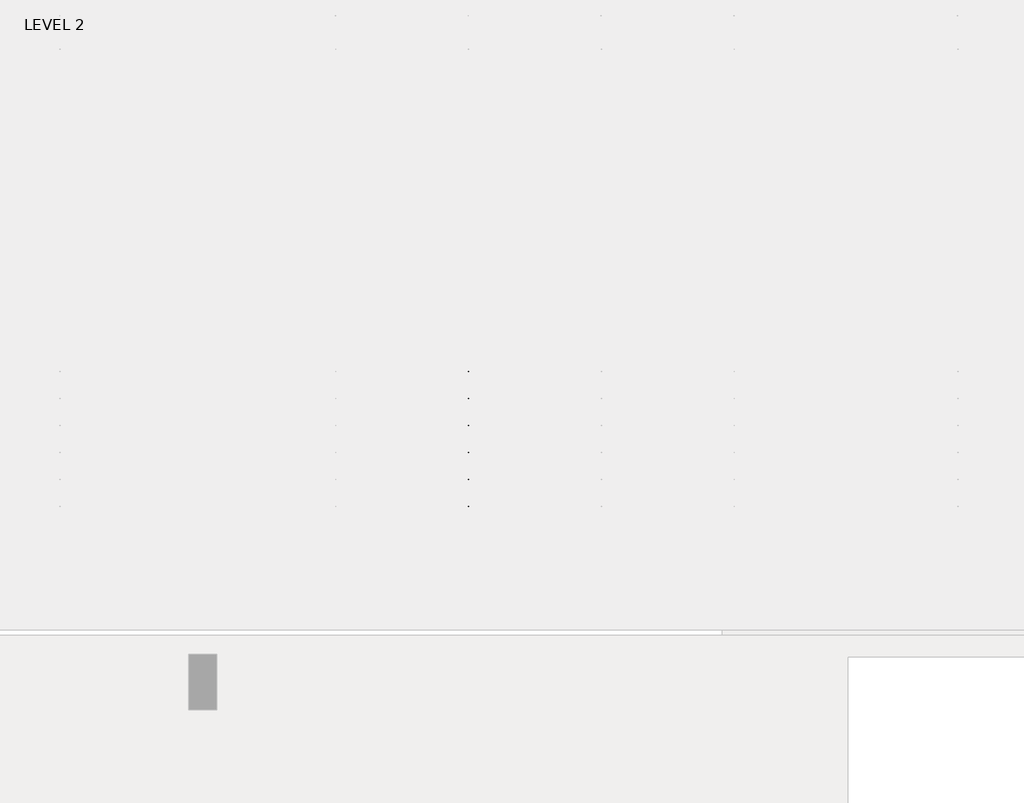
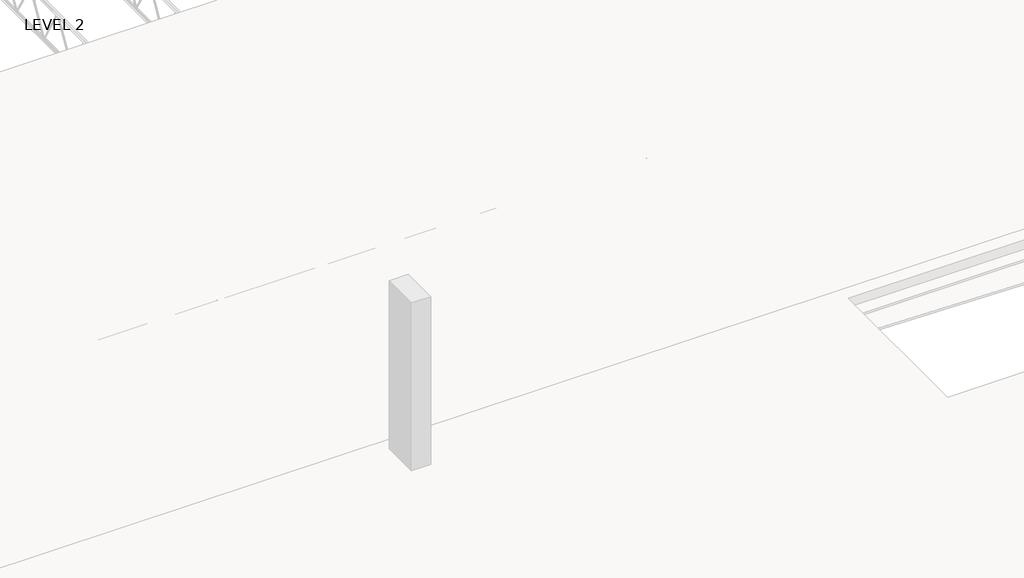
# One storey, part 41 of 67: 2 beams.
"""IFC4 building model written with IfcOpenShell, lengths in millimetres."""

import ifcopenshell
import ifcopenshell.guid

model = None  # the IFC model being written
_history = None  # IfcOwnerHistory: only IFC2X3 demands one
_inside = {}  # id of a spatial element -> (the spatial element, [elements in it])
_under = {}  # id of a project, library or spatial element -> (it, [spatial elements below it])
_declared = {}  # id of a project -> (the project, [libraries it declares])
_typed = {}  # id of a type object -> (the type object, [elements of that type])
_made_of = {}  # id of a material, layer set ... -> (it, [elements and type objects made of it])


def new_model(schema):
    """Start an empty IFC model of exactly this schema.

    Asked for "IFC4X3", IfcOpenShell would pick the latest addendum, in which some entities
    have other attributes; the version numbers below select the first issue.
    IFC2X3 requires an IfcOwnerHistory on every rooted entity: one is made here for all.
    """
    global model, _history
    if schema == "IFC4X3":
        model = ifcopenshell.file(schema_version=(4, 3, 0, 0))
    else:
        model = ifcopenshell.file(schema=schema)
    _inside.clear()
    _under.clear()
    _declared.clear()
    _typed.clear()
    _made_of.clear()
    _history = None
    if model.schema == "IFC2X3":
        org = make("IfcOrganization", Name="unknown")
        user = make(
            "IfcPersonAndOrganization",
            ThePerson=make("IfcPerson", FamilyName="unknown"),
            TheOrganization=org,
        )
        app = make(
            "IfcApplication",
            ApplicationDeveloper=org,
            Version="unknown",
            ApplicationFullName="unknown",
            ApplicationIdentifier="unknown",
        )
        _history = make(
            "IfcOwnerHistory",
            OwningUser=user,
            OwningApplication=app,
            ChangeAction="ADDED",
            CreationDate=0,
        )
    return model


def make(cls, **values):
    """One entity of the class cls with the attributes given. An attribute that is None is left unset."""
    return model.create_entity(
        cls, **{name: value for name, value in values.items() if value is not None}
    )


def rooted(cls, **values):
    """An entity with a GlobalId (a new one), such as an element, a storey or a relation."""
    return make(cls, GlobalId=ifcopenshell.guid.new(), OwnerHistory=_history, **values)


def si_unit(unit_type, name, prefix=None):
    """IfcSIUnit, for example si_unit("LENGTHUNIT", "METRE", prefix="MILLI")."""
    return make("IfcSIUnit", UnitType=unit_type, Prefix=prefix, Name=name)


def assignment(units):
    """IfcUnitAssignment: the units of a project."""
    return None if units is None else make("IfcUnitAssignment", Units=units)


def point(xyz):
    """IfcCartesianPoint."""
    return None if xyz is None else make("IfcCartesianPoint", Coordinates=xyz)


def direction(xyz):
    """IfcDirection."""
    return None if xyz is None else make("IfcDirection", DirectionRatios=xyz)


def frame(location, z_axis=None, x_axis=None):
    """IfcAxis2Placement3D, a coordinate frame: its origin and axes. An axis left out is left unset."""
    return make(
        "IfcAxis2Placement3D",
        Location=point(location),
        Axis=direction(z_axis),
        RefDirection=direction(x_axis),
    )


def frame_2d(location, x_axis=None):
    """IfcAxis2Placement2D, a coordinate frame in the plane: its origin and x axis."""
    return make(
        "IfcAxis2Placement2D", Location=point(location), RefDirection=direction(x_axis)
    )


def origin():
    """The frame at (0, 0, 0) with its axes left unset."""
    return frame((0.0, 0.0, 0.0))


def place(relative_to, where):
    """IfcLocalPlacement: puts the frame where relative to a parent placement (None: the world)."""
    return make(
        "IfcLocalPlacement", PlacementRelTo=relative_to, RelativePlacement=where
    )


def context(
    kind, dimensions, precision=None, world=None, true_north=None, identifier=None
):
    """IfcGeometricRepresentationContext, for example the 3D "Model" context."""
    return make(
        "IfcGeometricRepresentationContext",
        ContextIdentifier=identifier,
        ContextType=kind,
        CoordinateSpaceDimension=dimensions,
        Precision=precision,
        WorldCoordinateSystem=world,
        TrueNorth=true_north,
    )


def project(units=None, contexts=None):
    """IfcProject with its units and contexts."""
    return rooted(
        "IfcProject",
        Name="project",
        RepresentationContexts=contexts,
        UnitsInContext=assignment(units),
    )


def spatial(cls, under=None, at=None, **own):
    """A site, building, storey or space (cls), placed at a placement, below another one or the project."""
    s = rooted(cls, ObjectPlacement=at, **own)
    if under is not None:
        _under.setdefault(under.id(), (under, []))[1].append(s)
    return s


def polyline(points):
    """IfcPolyline through the points."""
    return make("IfcPolyline", Points=[point(p) for p in points])


def circle_curve(where, radius):
    """IfcCircle in the frame where."""
    return make("IfcCircle", Position=where, Radius=radius)


def trimmed(basis, trim1, trim2, sense, master):
    """IfcTrimmedCurve: the piece of a basis curve between two trims."""
    return make(
        "IfcTrimmedCurve",
        BasisCurve=basis,
        Trim1=trim1,
        Trim2=trim2,
        SenseAgreement=sense,
        MasterRepresentation=master,
    )


def segment(curve, same_sense, transition):
    """IfcCompositeCurveSegment."""
    return make(
        "IfcCompositeCurveSegment",
        Transition=transition,
        SameSense=same_sense,
        ParentCurve=curve,
    )


def composite_curve(segments, self_intersect=None):
    """IfcCompositeCurve: segments joined end to end."""
    return make("IfcCompositeCurve", Segments=segments, SelfIntersect=self_intersect)


def outline(outer, holes=None, kind="AREA"):
    """IfcArbitraryClosedProfileDef: a profile drawn as a closed curve; with holes, ...WithVoids."""
    if holes is None:
        return make("IfcArbitraryClosedProfileDef", ProfileType=kind, OuterCurve=outer)
    return make(
        "IfcArbitraryProfileDefWithVoids",
        ProfileType=kind,
        OuterCurve=outer,
        InnerCurves=holes,
    )


def extrude(swept, where, along, depth):
    """IfcExtrudedAreaSolid: the profile swept, set in the frame where, extruded along a direction by depth."""
    return make(
        "IfcExtrudedAreaSolid",
        SweptArea=swept,
        Position=where,
        ExtrudedDirection=direction(along),
        Depth=depth,
    )


def faces_of(points, faces, orient=None, outer=None):
    """IfcFace entities. A face is a list of loops; a loop is a list of indices into points, from 0.

    orient and outer hold one flag for each loop. By default every Orientation is true, the
    first loop of a face is its IfcFaceOuterBound and the others are IfcFaceBound.
    """
    made = []
    for i, loops in enumerate(faces):
        bounds = []
        for j, loop in enumerate(loops):
            is_outer = j == 0 if outer is None else outer[i][j]
            bounds.append(
                make(
                    "IfcFaceOuterBound" if is_outer else "IfcFaceBound",
                    Bound=make("IfcPolyLoop", Polygon=[points[k] for k in loop]),
                    Orientation=True if orient is None else orient[i][j],
                )
            )
        made.append(make("IfcFace", Bounds=bounds))
    return made


def faceted_brep(points, faces, orient=None, outer=None, voids=None):
    """IfcFacetedBrep: a solid bounded by flat faces; with voids (closed shells), ...WithVoids."""
    shared = [point(p) for p in points]
    hull = make("IfcClosedShell", CfsFaces=faces_of(shared, faces, orient, outer))
    if voids is None:
        return make("IfcFacetedBrep", Outer=hull)
    return make(
        "IfcFacetedBrepWithVoids",
        Outer=hull,
        Voids=[
            make(cls, CfsFaces=faces_of(shared, fs, o, b)) for cls, fs, o, b in voids
        ],
    )


def shape(context_of_items, identifier, shape_type, items):
    """IfcShapeRepresentation: the items that make up one representation, for example the "Body"."""
    return make(
        "IfcShapeRepresentation",
        ContextOfItems=context_of_items,
        RepresentationIdentifier=identifier,
        RepresentationType=shape_type,
        Items=items,
    )


def source(mapping_origin, context_of_items, identifier, shape_type, items):
    """IfcRepresentationMap: a shape defined once, which mapped items show again and again."""
    return make(
        "IfcRepresentationMap",
        MappingOrigin=mapping_origin,
        MappedRepresentation=shape(context_of_items, identifier, shape_type, items),
    )


def transform(
    local_origin,
    x_axis=None,
    y_axis=None,
    z_axis=None,
    scale=None,
    scale2=None,
    scale3=None,
    uniform=True,
):
    """IfcCartesianTransformationOperator3D, or its non-uniform kind. x_axis, y_axis, z_axis: its Axis1, 2, 3."""
    if uniform:
        return make(
            "IfcCartesianTransformationOperator3D",
            Axis1=direction(x_axis),
            Axis2=direction(y_axis),
            LocalOrigin=point(local_origin),
            Scale=scale,
            Axis3=direction(z_axis),
        )
    return make(
        "IfcCartesianTransformationOperator3DnonUniform",
        Axis1=direction(x_axis),
        Axis2=direction(y_axis),
        LocalOrigin=point(local_origin),
        Scale=scale,
        Axis3=direction(z_axis),
        Scale2=scale2,
        Scale3=scale3,
    )


def mapped(mapping_source, mapping_target):
    """IfcMappedItem: shows the shape of a source again, moved by a transform."""
    return make(
        "IfcMappedItem", MappingSource=mapping_source, MappingTarget=mapping_target
    )


def made_of(thing, what):
    """Note that an element or type object is made of a material, layer set ...; save() writes the relation."""
    if what is not None:
        _made_of.setdefault(what.id(), (what, []))[1].append(thing)
    return thing


def element(
    cls,
    number,
    at=None,
    inside=None,
    cuts=None,
    type_object=None,
    material=None,
    context=None,
    identifier="Body",
    shape_type=None,
    held_by="IfcProductDefinitionShape",
    body=None,
    shapes=None,
    **own,
):
    """One element of the class cls, such as IfcWall. Its Tag is "e" and its number.

    at: its placement. inside: the storey or other place that contains it. cuts: it is an
    opening in that element (IfcRelVoidsElement). A single representation is given by context,
    identifier, shape_type and body (its items); several are given by shapes. held_by: the class
    of the entity that holds the representations. save() writes the other relations.
    """
    e = rooted(cls, Tag="e%d" % number, ObjectPlacement=at, **own)
    if body is not None:
        shapes = [shape(context, identifier, shape_type, body)]
    if shapes is not None:
        e.Representation = make(held_by, Representations=shapes)
    if inside is not None:
        _inside.setdefault(inside.id(), (inside, []))[1].append(e)
    if cuts is not None:
        rooted(
            "IfcRelVoidsElement", RelatingBuildingElement=cuts, RelatedOpeningElement=e
        )
    if type_object is not None:
        _typed.setdefault(type_object.id(), (type_object, []))[1].append(e)
    return made_of(e, material)


def aggregate(whole, parts):
    """IfcRelAggregates: a whole, such as a stair, and the parts it consists of."""
    return rooted("IfcRelAggregates", RelatingObject=whole, RelatedObjects=parts)


def save(model, path):
    """Write the relations noted so far, then the file.

    IfcRelAggregates (storeys below a building ...), IfcRelContainedInSpatialStructure (elements
    in a storey), IfcRelDefinesByType, IfcRelAssociatesMaterial and IfcRelDeclares: one each for
    every whole, place, type object, material and project.
    """
    for whole, parts in _under.values():
        aggregate(whole, parts)
    for where, things in _inside.values():
        rooted(
            "IfcRelContainedInSpatialStructure",
            RelatedElements=things,
            RelatingStructure=where,
        )
    for kind, things in _typed.values():
        rooted("IfcRelDefinesByType", RelatedObjects=things, RelatingType=kind)
    for what, things in _made_of.values():
        rooted("IfcRelAssociatesMaterial", RelatedObjects=things, RelatingMaterial=what)
    for by, libraries in _declared.values():
        rooted("IfcRelDeclares", RelatingContext=by, RelatedDefinitions=libraries)
    model.write(path)


def w16x26_ae8e5744(model_context):
    return source(origin(), model_context, "Body", "SweptSolid", [
        extrude(outline(composite_curve([segment(polyline([(69.85, -190.627), (69.85, -199.39), (-69.85, -199.39), (-69.85, -190.627), (-21.3995, -190.627)]), True, "CONTINUOUS"), segment(trimmed(circle_curve(frame_2d((-21.3995, -172.4025)), 18.2245), [point((-21.3995, -190.627))], [point((-3.175, -172.4025))], True, "CARTESIAN"), True, "CONTINUOUS"), segment(polyline([(-3.175, -172.4025), (-3.175, 172.4025)]), True, "CONTINUOUS"), segment(trimmed(circle_curve(frame_2d((-21.3995, 172.4025)), 18.2245), [point((-3.175, 172.4025))], [point((-21.3995, 190.627))], True, "CARTESIAN"), True, "CONTINUOUS"), segment(polyline([(-21.3995, 190.627), (-69.85, 190.627), (-69.85, 199.39), (69.85, 199.39), (69.85, 190.627), (21.3995, 190.627)]), True, "CONTINUOUS"), segment(trimmed(circle_curve(frame_2d((21.3995, 172.4025)), 18.2245), [point((21.3995, 190.627))], [point((3.175, 172.4025))], True, "CARTESIAN"), True, "CONTINUOUS"), segment(polyline([(3.175, 172.4025), (3.175, -172.4025)]), True, "CONTINUOUS"), segment(trimmed(circle_curve(frame_2d((21.3995, -172.4025)), 18.2245), [point((3.175, -172.4025))], [point((21.3995, -190.627))], True, "CARTESIAN"), True, "CONTINUOUS"), segment(polyline([(21.3995, -190.627), (69.85, -190.627)]), True, "CONTINUOUS")], self_intersect=False)), frame((-3962.4, 0.0, 0.0), z_axis=(1.0, 0.0, 0.0), x_axis=(0.0, 1.0, 0.0)), (0.0, 0.0, 1.0), 7924.8),
    ])


model = new_model("IFC4")

# Units and contexts
model_context = context("Model", 3, world=origin())
ifc_project = project(units=[si_unit("LENGTHUNIT", "METRE", prefix="MILLI")], contexts=[model_context])

# Site, building, storey
site = spatial("IfcSite", under=ifc_project)
building = spatial("IfcBuilding", under=site)
storey = spatial("IfcBuildingStorey", under=building, Name="LEVEL 2", Elevation=6908.8)

# Beams
placement = place(None, origin())
element("IfcBeam", 1, ObjectType="K-Series Bar Joist-Angle Web : 12K3", at=placement, inside=storey, context=model_context, shape_type="SolidModel", body=[
    extrude(outline(polyline([(0.0, -9.525), (0.0, 0.0), (573.7533355, 0.0), (573.7533355, -9.525), (0.0, -9.525)])), frame((43982.2218142, -9604.1227945, 6274.1671734), z_axis=(0.0, -0.48308851527800273, 0.8755715198694479), x_axis=(0.0, -0.8755715198694479, -0.48308851527800273)), (0.0, 0.0, 1.0), 9.525),
    extrude(outline(polyline([(0.0, -9.525), (0.0, 0.0), (573.7533355, 0.0), (573.7533355, -9.525), (0.0, -9.525)])), frame((43972.6968142, -14433.5123055, 6174.0312759), z_axis=(0.0, 0.44637950228858414, 0.894843751688861), x_axis=(0.0, 0.894843751688861, -0.44637950228858414)), (0.0, 0.0, 1.0), 9.525),
    extrude(outline(polyline([(4.7625, 4.7625), (4.7625, -4.7625), (-4.7625, -4.7625), (-4.7625, 4.7625), (4.7625, 4.7625)])), frame((43977.4593142, -10108.7855836, 6001.1634358), z_axis=(0.0, 0.5271021201119526, 0.8498019504410923), x_axis=(-1.0, 0.0, 0.0)), (0.0, 0.0, 1.0), 317.9950191),
    extrude(outline(polyline([(4.7625, 4.7625), (4.7625, -4.7625001), (-4.7625, -4.7625001), (-4.7625, 4.7625), (4.7625, 4.7625)])), frame((43977.4593142, -13917.9668359, 5922.1812409), z_axis=(0.0, -0.5618747002661082, 0.8272223529383567), x_axis=(-1.0, 0.0, 0.0)), (0.0, 0.0, 1.0), 317.9950191),
    extrude(outline(polyline([(0.0, 0.0), (31.75, 0.0), (31.75, -6.35), (6.35, -6.35), (6.35, -31.75), (0.0, -31.75), (0.0, 0.0)])), frame((43982.2218142, -14019.4133656, 5913.7264136), z_axis=(0.0, 0.9997851055909517, 0.02073023488747072), x_axis=(1.0, 0.0, 0.0)), (0.0, 0.0, 1.0), 4013.2),
    extrude(outline(polyline([(-9.525, 0.0), (-9.525, -31.75), (-15.875, -31.75), (-15.875, -6.35), (-41.275, -6.35), (-41.275, 0.0), (-9.525, 0.0)])), frame((43982.2218142, -14019.4133656, 5913.7264136), z_axis=(0.0, 0.9997851055909517, 0.02073023488747072), x_axis=(1.0, 0.0, 0.0)), (0.0, 0.0, 1.0), 4013.2),
    extrude(outline(polyline([(-31.75, 0.0), (0.0, 0.0), (0.0, -6.35), (-25.4, -6.35), (-25.4, -31.75), (-31.75, -31.75), (-31.75, 0.0)])), frame((44013.9718142, -14532.3064049, 6144.4436003), z_axis=(0.0, 0.9997851055909517, 0.02073023488747072), x_axis=(1.0, 0.0, 0.0)), (0.0, 0.0, 1.0), 101.6),
    extrude(outline(polyline([(-41.275, 0.0), (-41.275, -31.75), (-47.625, -31.75), (-47.625, -6.35), (-73.025, -6.35), (-73.025, 0.0), (-41.275, 0.0)])), frame((44013.9718142, -14532.3064049, 6144.4436003), z_axis=(0.0, 0.9997851055909517, 0.02073023488747072), x_axis=(1.0, 0.0, 0.0)), (0.0, 0.0, 1.0), 101.6),
    extrude(outline(polyline([(0.0, 0.0), (31.75, 0.0), (31.75, -6.35), (6.35, -6.35), (6.35, -31.75), (0.0, -31.75), (0.0, 0.0)])), frame((43972.6968142, -9605.7653186, 6246.5939057), z_axis=(0.0, 0.9997851055909517, 0.02073023488747072), x_axis=(0.0, -0.02073023488747072, 0.9997851055909517)), (0.0, 0.0, 1.0), 101.6),
    extrude(outline(polyline([(0.0, 41.275), (6.35, 41.275), (6.35, 15.875), (31.75, 15.875), (31.75, 9.525), (0.0, 9.525), (0.0, 41.275)])), frame((43972.6968142, -9605.7653186, 6246.5939057), z_axis=(0.0, 0.9997851055909517, 0.02073023488747072), x_axis=(0.0, -0.02073023488747072, 0.9997851055909517)), (0.0, 0.0, 1.0), 101.6),
    extrude(outline(polyline([(0.0, 0.0), (31.75, 0.0), (31.75, -6.35), (6.35, -6.35), (6.35, -31.75), (0.0, -31.75), (0.0, 0.0)])), frame((43982.2218142, -14533.6227748, 6207.9299545), z_axis=(0.0, 0.9997851055909517, 0.02073023488747072), x_axis=(0.0, 0.02073023488747072, -0.9997851055909517)), (0.0, 0.0, 1.0), 5029.2),
    extrude(outline(polyline([(0.0, 9.525), (0.0, 41.275), (6.35, 41.275), (6.35, 15.875), (31.75, 15.875), (31.75, 9.525), (0.0, 9.525)])), frame((43982.2218142, -14533.6227748, 6207.9299545), z_axis=(0.0, 0.9997851055909517, 0.02073023488747072), x_axis=(0.0, 0.02073023488747072, -0.9997851055909517)), (0.0, 0.0, 1.0), 5029.2),
    faceted_brep([(43977.4593142, -10109.114676, 6017.0350244), (43977.4593142, -10108.7197651, 5997.9891181), (43972.6968142, -10108.7197651, 5997.9891181), (43972.6968142, -10109.114676, 6017.0350244), (43977.4593142, -10109.9510625, 6017.0176822), (43977.4593142, -10276.1904217, 6293.0308149), (43977.4593142, -10294.3999415, 6292.6532461), (43977.4593142, -10294.0050305, 6273.6073399), (43977.4593142, -10286.8200086, 6273.7563191), (43977.4593142, -10120.5806494, 5997.7431863), (43972.6968142, -10120.5806494, 5997.7431863), (43972.6968142, -10141.3605693, 6032.2448279), (43972.6968142, -10137.2808829, 6034.7019736), (43972.6968142, -10273.294904, 6260.5309003), (43972.6968142, -10277.3745905, 6258.0737547), (43972.6968142, -10286.8200086, 6273.7563191), (43972.6968142, -10294.0050305, 6273.6073399), (43972.6968142, -10294.3999415, 6292.6532461), (43972.6968142, -10276.1904217, 6293.0308149), (43972.6968142, -10109.9510625, 6017.0176822), (43959.9968142, -10277.3745905, 6258.0737547), (43959.9968142, -10141.3605693, 6032.2448279), (43959.9968142, -10137.2808829, 6034.7019736), (43959.9968142, -10273.294904, 6260.5309003)], [[[0, 1, 2, 3]], [[1, 0, 4, 5, 6, 7, 8, 9]], [[2, 1, 9, 10]], [[3, 2, 10, 11, 12, 13, 14, 15, 16, 17, 18, 19]], [[0, 3, 19, 4]], [[9, 8, 15, 14, 20, 21, 11, 10]], [[5, 4, 19, 18]], [[7, 6, 17, 16]], [[8, 7, 16, 15]], [[6, 5, 18, 17]], [[21, 22, 12, 11]], [[20, 14, 13, 23]], [[22, 21, 20, 23]], [[12, 22, 23, 13]]]),
    extrude(outline(polyline([(-10455.0089698, 5990.8089186), (-10455.4038808, 6009.8548248), (-10454.5674943, 6009.872167), (-10299.9121904, 6292.5389513), (-10281.7026706, 6292.9165201), (-10281.3077596, 6273.8706138), (-10288.4927815, 6273.7216346), (-10443.1480854, 5991.0548503), (-10455.0089698, 5990.8089186)])), frame((43977.4593142, 0.0, 0.0), z_axis=(1.0, 0.0, 0.0), x_axis=(0.0, 1.0, 0.0)), (0.0, 0.0, 1.0), 4.7625),
    extrude(outline(polyline([(-4.7625, 4.7625), (-4.7625, 0.0), (-17.4625, 0.0), (-17.4625, 4.7625), (-4.7625, 4.7625)])), frame((43977.4593142, -10423.8161725, 6026.3881984), z_axis=(0.0, 0.4799841217599757, 0.8772771756168657), x_axis=(-1.0, 0.0, 0.0)), (0.0, 0.0, 1.0), 263.6257159),
    faceted_brep([(43977.4593142, -13572.0067236, 5945.233029), (43977.4593142, -13571.6118126, 5926.1871227), (43972.6968142, -13571.6118126, 5926.1871227), (43972.6968142, -13572.0067236, 5945.233029), (43977.4593142, -13572.8431101, 5945.2156868), (43977.4593142, -13739.0824692, 6221.2288195), (43977.4593142, -13757.291989, 6220.8512507), (43977.4593142, -13756.897078, 6201.8053445), (43977.4593142, -13749.7120561, 6201.9543237), (43977.4593142, -13583.472697, 5925.941191), (43972.6968142, -13583.472697, 5925.941191), (43972.6968142, -13604.2526169, 5960.4428325), (43972.6968142, -13600.1729304, 5962.8999782), (43972.6968142, -13736.1869515, 6188.7289049), (43972.6968142, -13740.266638, 6186.2717593), (43972.6968142, -13749.7120561, 6201.9543237), (43972.6968142, -13756.897078, 6201.8053445), (43972.6968142, -13757.291989, 6220.8512507), (43972.6968142, -13739.0824692, 6221.2288195), (43972.6968142, -13572.8431101, 5945.2156868), (43959.9968142, -13740.266638, 6186.2717593), (43959.9968142, -13604.2526169, 5960.4428325), (43959.9968142, -13600.1729304, 5962.8999782), (43959.9968142, -13736.1869515, 6188.7289049)], [[[0, 1, 2, 3]], [[1, 0, 4, 5, 6, 7, 8, 9]], [[2, 1, 9, 10]], [[3, 2, 10, 11, 12, 13, 14, 15, 16, 17, 18, 19]], [[0, 3, 19, 4]], [[9, 8, 15, 14, 20, 21, 11, 10]], [[5, 4, 19, 18]], [[7, 6, 17, 16]], [[8, 7, 16, 15]], [[6, 5, 18, 17]], [[21, 22, 12, 11]], [[20, 14, 13, 23]], [[22, 21, 20, 23]], [[12, 22, 23, 13]]]),
    extrude(outline(polyline([(-13917.9010174, 5919.0069232), (-13918.2959283, 5938.0528295), (-13917.4595419, 5938.0701717), (-13762.804238, 6220.736956), (-13744.5947182, 6221.1145247), (-13744.1998072, 6202.0686185), (-13751.3848291, 6201.9196392), (-13906.040133, 5919.252855), (-13917.9010174, 5919.0069232)])), frame((43977.4593142, 0.0, 0.0), z_axis=(1.0, 0.0, 0.0), x_axis=(0.0, 1.0, 0.0)), (0.0, 0.0, 1.0), 4.7625),
    extrude(outline(polyline([(-4.7625, 4.7625001), (-4.7625, 0.0), (-17.4625, 0.0), (-17.4625, 4.7625001), (-4.7625, 4.7625001)])), frame((43977.4593142, -13886.70822, 5954.586203), z_axis=(0.0, 0.4799841217599757, 0.8772771756168657), x_axis=(-1.0, 0.0, 0.0)), (0.0, 0.0, 1.0), 263.6257159),
    faceted_brep([(43977.4593142, -10455.4038808, 6009.8548248), (43977.4593142, -10455.0089698, 5990.8089186), (43972.6968142, -10455.0089698, 5990.8089186), (43972.6968142, -10455.4038808, 6009.8548248), (43977.4593142, -10456.2402673, 6009.8374826), (43977.4593142, -10622.4796264, 6285.8506153), (43977.4593142, -10640.6891462, 6285.4730466), (43977.4593142, -10640.2942352, 6266.4271403), (43977.4593142, -10633.1092134, 6266.5761195), (43977.4593142, -10466.8698542, 5990.5629868), (43972.6968142, -10466.8698542, 5990.5629868), (43972.6968142, -10487.6497741, 6025.0646284), (43972.6968142, -10483.5700876, 6027.521774), (43972.6968142, -10619.5841088, 6253.3507008), (43972.6968142, -10623.6637952, 6250.8935552), (43972.6968142, -10633.1092134, 6266.5761195), (43972.6968142, -10640.2942352, 6266.4271403), (43972.6968142, -10640.6891462, 6285.4730466), (43972.6968142, -10622.4796264, 6285.8506153), (43972.6968142, -10456.2402673, 6009.8374826), (43959.9968142, -10623.6637952, 6250.8935552), (43959.9968142, -10487.6497741, 6025.0646284), (43959.9968142, -10483.5700876, 6027.521774), (43959.9968142, -10619.5841088, 6253.3507008)], [[[0, 1, 2, 3]], [[1, 0, 4, 5, 6, 7, 8, 9]], [[2, 1, 9, 10]], [[3, 2, 10, 11, 12, 13, 14, 15, 16, 17, 18, 19]], [[0, 3, 19, 4]], [[9, 8, 15, 14, 20, 21, 11, 10]], [[5, 4, 19, 18]], [[7, 6, 17, 16]], [[8, 7, 16, 15]], [[6, 5, 18, 17]], [[21, 22, 12, 11]], [[20, 14, 13, 23]], [[22, 21, 20, 23]], [[12, 22, 23, 13]]]),
    extrude(outline(polyline([(-10801.2981746, 5983.628719), (-10801.6930855, 6002.6746253), (-10800.8566991, 6002.6919675), (-10646.2013952, 6285.3587518), (-10627.9918754, 6285.7363206), (-10627.5969644, 6266.6904143), (-10634.7819863, 6266.5414351), (-10789.4372902, 5983.8746508), (-10801.2981746, 5983.628719)])), frame((43977.4593142, 0.0, 0.0), z_axis=(1.0, 0.0, 0.0), x_axis=(0.0, 1.0, 0.0)), (0.0, 0.0, 1.0), 4.7625),
    extrude(outline(polyline([(-4.7625, 4.7625001), (-4.7625, 0.0), (-17.4625, 0.0), (-17.4625, 4.7625001), (-4.7625, 4.7625001)])), frame((43977.4593142, -10770.1053772, 6019.2079988), z_axis=(0.0, 0.4799841217599757, 0.8772771756168657), x_axis=(-1.0, 0.0, 0.0)), (0.0, 0.0, 1.0), 263.6257159),
    faceted_brep([(43977.4593142, -10801.6930855, 6002.6746253), (43977.4593142, -10801.2981746, 5983.628719), (43972.6968142, -10801.2981746, 5983.628719), (43972.6968142, -10801.6930855, 6002.6746253), (43977.4593142, -10802.529472, 6002.6572831), (43977.4593142, -10968.7688312, 6278.6704158), (43977.4593142, -10986.978351, 6278.292847), (43977.4593142, -10986.58344, 6259.2469408), (43977.4593142, -10979.3984181, 6259.39592), (43977.4593142, -10813.1590589, 5983.3827873), (43972.6968142, -10813.1590589, 5983.3827873), (43972.6968142, -10833.9389788, 6017.8844289), (43972.6968142, -10829.8592924, 6020.3415745), (43972.6968142, -10965.8733135, 6246.1705013), (43972.6968142, -10969.953, 6243.7133556), (43972.6968142, -10979.3984181, 6259.39592), (43972.6968142, -10986.58344, 6259.2469408), (43972.6968142, -10986.978351, 6278.292847), (43972.6968142, -10968.7688312, 6278.6704158), (43972.6968142, -10802.529472, 6002.6572831), (43959.9968142, -10969.953, 6243.7133556), (43959.9968142, -10833.9389788, 6017.8844289), (43959.9968142, -10829.8592924, 6020.3415745), (43959.9968142, -10965.8733135, 6246.1705013)], [[[0, 1, 2, 3]], [[1, 0, 4, 5, 6, 7, 8, 9]], [[2, 1, 9, 10]], [[3, 2, 10, 11, 12, 13, 14, 15, 16, 17, 18, 19]], [[0, 3, 19, 4]], [[9, 8, 15, 14, 20, 21, 11, 10]], [[5, 4, 19, 18]], [[7, 6, 17, 16]], [[8, 7, 16, 15]], [[6, 5, 18, 17]], [[21, 22, 12, 11]], [[20, 14, 13, 23]], [[22, 21, 20, 23]], [[12, 22, 23, 13]]]),
    extrude(outline(polyline([(-11147.5873793, 5976.4485195), (-11147.9822903, 5995.4944258), (-11147.1459038, 5995.511768), (-10992.4905999, 6278.1785523), (-10974.2810801, 6278.556121), (-10973.8861692, 6259.5102148), (-10981.071191, 6259.3612356), (-11135.726495, 5976.6944513), (-11147.5873793, 5976.4485195)])), frame((43977.4593142, 0.0, 0.0), z_axis=(1.0, 0.0, 0.0), x_axis=(0.0, 1.0, 0.0)), (0.0, 0.0, 1.0), 4.7625),
    extrude(outline(polyline([(-4.7625, 4.7625), (-4.7625, 0.0), (-17.4625, 0.0), (-17.4625, 4.7625), (-4.7625, 4.7625)])), frame((43977.4593142, -11116.394582, 6012.0277993), z_axis=(0.0, 0.4799841217599757, 0.8772771756168657), x_axis=(-1.0, 0.0, 0.0)), (0.0, 0.0, 1.0), 263.6257159),
    faceted_brep([(43977.4593142, -11147.9822903, 5995.4944258), (43977.4593142, -11147.5873793, 5976.4485195), (43972.6968142, -11147.5873793, 5976.4485195), (43972.6968142, -11147.9822903, 5995.4944258), (43977.4593142, -11148.8186768, 5995.4770835), (43977.4593142, -11315.0580359, 6271.4902163), (43977.4593142, -11333.2675557, 6271.1126475), (43977.4593142, -11332.8726447, 6252.0667412), (43977.4593142, -11325.6876229, 6252.2157204), (43977.4593142, -11159.4482637, 5976.2025877), (43972.6968142, -11159.4482637, 5976.2025877), (43972.6968142, -11180.2281836, 6010.7042293), (43972.6968142, -11176.1484971, 6013.1613749), (43972.6968142, -11312.1625183, 6238.9903017), (43972.6968142, -11316.2422047, 6236.5331561), (43972.6968142, -11325.6876229, 6252.2157204), (43972.6968142, -11332.8726447, 6252.0667412), (43972.6968142, -11333.2675557, 6271.1126475), (43972.6968142, -11315.0580359, 6271.4902163), (43972.6968142, -11148.8186768, 5995.4770835), (43959.9968142, -11316.2422047, 6236.5331561), (43959.9968142, -11180.2281836, 6010.7042293), (43959.9968142, -11176.1484971, 6013.1613749), (43959.9968142, -11312.1625183, 6238.9903017)], [[[0, 1, 2, 3]], [[1, 0, 4, 5, 6, 7, 8, 9]], [[2, 1, 9, 10]], [[3, 2, 10, 11, 12, 13, 14, 15, 16, 17, 18, 19]], [[0, 3, 19, 4]], [[9, 8, 15, 14, 20, 21, 11, 10]], [[5, 4, 19, 18]], [[7, 6, 17, 16]], [[8, 7, 16, 15]], [[6, 5, 18, 17]], [[21, 22, 12, 11]], [[20, 14, 13, 23]], [[22, 21, 20, 23]], [[12, 22, 23, 13]]]),
    extrude(outline(polyline([(-11493.8765841, 5969.26832), (-11494.2714951, 5988.3142262), (-11493.4351086, 5988.3315684), (-11338.7798047, 6270.9983527), (-11320.5702849, 6271.3759215), (-11320.1753739, 6252.3300152), (-11327.3603958, 6252.181036), (-11482.0156997, 5969.5142517), (-11493.8765841, 5969.26832)])), frame((43977.4593142, 0.0, 0.0), z_axis=(1.0, 0.0, 0.0), x_axis=(0.0, 1.0, 0.0)), (0.0, 0.0, 1.0), 4.7625),
    extrude(outline(polyline([(-4.7625, 4.7625), (-4.7625, 0.0), (-17.4625, 0.0), (-17.4625, 4.7625), (-4.7625, 4.7625)])), frame((43977.4593142, -11462.6837867, 6004.8475998), z_axis=(0.0, 0.4799841217599757, 0.8772771756168657), x_axis=(-1.0, 0.0, 0.0)), (0.0, 0.0, 1.0), 263.6257159),
    faceted_brep([(43977.4593142, -11494.2714951, 5988.3142262), (43977.4593142, -11493.8765841, 5969.26832), (43972.6968142, -11493.8765841, 5969.26832), (43972.6968142, -11494.2714951, 5988.3142262), (43977.4593142, -11495.1078815, 5988.296884), (43977.4593142, -11661.3472407, 6264.3100167), (43977.4593142, -11679.5567605, 6263.932448), (43977.4593142, -11679.1618495, 6244.8865417), (43977.4593142, -11671.9768276, 6245.0355209), (43977.4593142, -11505.7374685, 5969.0223882), (43972.6968142, -11505.7374685, 5969.0223882), (43972.6968142, -11526.5173883, 6003.5240298), (43972.6968142, -11522.4377019, 6005.9811754), (43972.6968142, -11658.451723, 6231.8101022), (43972.6968142, -11662.5314095, 6229.3529565), (43972.6968142, -11671.9768276, 6245.0355209), (43972.6968142, -11679.1618495, 6244.8865417), (43972.6968142, -11679.5567605, 6263.932448), (43972.6968142, -11661.3472407, 6264.3100167), (43972.6968142, -11495.1078815, 5988.296884), (43959.9968142, -11662.5314095, 6229.3529565), (43959.9968142, -11526.5173883, 6003.5240298), (43959.9968142, -11522.4377019, 6005.9811754), (43959.9968142, -11658.451723, 6231.8101022)], [[[0, 1, 2, 3]], [[1, 0, 4, 5, 6, 7, 8, 9]], [[2, 1, 9, 10]], [[3, 2, 10, 11, 12, 13, 14, 15, 16, 17, 18, 19]], [[0, 3, 19, 4]], [[9, 8, 15, 14, 20, 21, 11, 10]], [[5, 4, 19, 18]], [[7, 6, 17, 16]], [[8, 7, 16, 15]], [[6, 5, 18, 17]], [[21, 22, 12, 11]], [[20, 14, 13, 23]], [[22, 21, 20, 23]], [[12, 22, 23, 13]]]),
    extrude(outline(polyline([(-11840.1657888, 5962.0881204), (-11840.5606998, 5981.1340267), (-11839.7243133, 5981.1513689), (-11685.0690094, 6263.8181532), (-11666.8594896, 6264.1957219), (-11666.4645787, 6245.1498157), (-11673.6496006, 6245.0008365), (-11828.3049045, 5962.3340522), (-11840.1657888, 5962.0881204)])), frame((43977.4593142, 0.0, 0.0), z_axis=(1.0, 0.0, 0.0), x_axis=(0.0, 1.0, 0.0)), (0.0, 0.0, 1.0), 4.7625),
    extrude(outline(polyline([(-4.7625, 4.7625), (-4.7625, 0.0), (-17.4625, 0.0), (-17.4625, 4.7625), (-4.7625, 4.7625)])), frame((43977.4593142, -11808.9729915, 5997.6674002), z_axis=(0.0, 0.4799841217599757, 0.8772771756168657), x_axis=(-1.0, 0.0, 0.0)), (0.0, 0.0, 1.0), 263.6257159),
    faceted_brep([(43977.4593142, -11840.5606998, 5981.1340267), (43977.4593142, -11840.1657888, 5962.0881204), (43972.6968142, -11840.1657888, 5962.0881204), (43972.6968142, -11840.5606998, 5981.1340267), (43977.4593142, -11841.3970863, 5981.1166845), (43977.4593142, -12007.6364454, 6257.1298172), (43977.4593142, -12025.8459652, 6256.7522484), (43977.4593142, -12025.4510543, 6237.7063422), (43977.4593142, -12018.2660324, 6237.8553214), (43977.4593142, -11852.0266732, 5961.8421887), (43972.6968142, -11852.0266732, 5961.8421887), (43972.6968142, -11872.8065931, 5996.3438302), (43972.6968142, -11868.7269066, 5998.8009759), (43972.6968142, -12004.7409278, 6224.6299026), (43972.6968142, -12008.8206142, 6222.172757), (43972.6968142, -12018.2660324, 6237.8553214), (43972.6968142, -12025.4510543, 6237.7063422), (43972.6968142, -12025.8459652, 6256.7522484), (43972.6968142, -12007.6364454, 6257.1298172), (43972.6968142, -11841.3970863, 5981.1166845), (43959.9968142, -12008.8206142, 6222.172757), (43959.9968142, -11872.8065931, 5996.3438302), (43959.9968142, -11868.7269066, 5998.8009759), (43959.9968142, -12004.7409278, 6224.6299026)], [[[0, 1, 2, 3]], [[1, 0, 4, 5, 6, 7, 8, 9]], [[2, 1, 9, 10]], [[3, 2, 10, 11, 12, 13, 14, 15, 16, 17, 18, 19]], [[0, 3, 19, 4]], [[9, 8, 15, 14, 20, 21, 11, 10]], [[5, 4, 19, 18]], [[7, 6, 17, 16]], [[8, 7, 16, 15]], [[6, 5, 18, 17]], [[21, 22, 12, 11]], [[20, 14, 13, 23]], [[22, 21, 20, 23]], [[12, 22, 23, 13]]]),
    extrude(outline(polyline([(-12186.4549936, 5954.9079209), (-12186.8499046, 5973.9538271), (-12186.0135181, 5973.9711694), (-12031.3582142, 6256.6379536), (-12013.1486944, 6257.0155224), (-12012.7537834, 6237.9696161), (-12019.9388053, 6237.8206369), (-12174.5941092, 5955.1538527), (-12186.4549936, 5954.9079209)])), frame((43977.4593142, 0.0, 0.0), z_axis=(1.0, 0.0, 0.0), x_axis=(0.0, 1.0, 0.0)), (0.0, 0.0, 1.0), 4.7625),
    extrude(outline(polyline([(-4.7625, 4.7625001), (-4.7625, 0.0), (-17.4625, 0.0), (-17.4625, 4.7625001), (-4.7625, 4.7625001)])), frame((43977.4593142, -12155.2621962, 5990.4872007), z_axis=(0.0, 0.4799841217599757, 0.8772771756168657), x_axis=(-1.0, 0.0, 0.0)), (0.0, 0.0, 1.0), 263.6257159),
    faceted_brep([(43977.4593142, -12186.8499046, 5973.9538271), (43977.4593142, -12186.4549936, 5954.9079209), (43972.6968142, -12186.4549936, 5954.9079209), (43972.6968142, -12186.8499046, 5973.9538271), (43977.4593142, -12187.686291, 5973.9364849), (43977.4593142, -12353.9256502, 6249.9496176), (43977.4593142, -12372.13517, 6249.5720489), (43977.4593142, -12371.740259, 6230.5261426), (43977.4593142, -12364.5552371, 6230.6751218), (43977.4593142, -12198.315878, 5954.6619891), (43972.6968142, -12198.315878, 5954.6619891), (43972.6968142, -12219.0957979, 5989.1636307), (43972.6968142, -12215.0161114, 5991.6207763), (43972.6968142, -12351.0301325, 6217.4497031), (43972.6968142, -12355.109819, 6214.9925575), (43972.6968142, -12364.5552371, 6230.6751218), (43972.6968142, -12371.740259, 6230.5261426), (43972.6968142, -12372.13517, 6249.5720489), (43972.6968142, -12353.9256502, 6249.9496176), (43972.6968142, -12187.686291, 5973.9364849), (43959.9968142, -12355.109819, 6214.9925575), (43959.9968142, -12219.0957979, 5989.1636307), (43959.9968142, -12215.0161114, 5991.6207763), (43959.9968142, -12351.0301325, 6217.4497031)], [[[0, 1, 2, 3]], [[1, 0, 4, 5, 6, 7, 8, 9]], [[2, 1, 9, 10]], [[3, 2, 10, 11, 12, 13, 14, 15, 16, 17, 18, 19]], [[0, 3, 19, 4]], [[9, 8, 15, 14, 20, 21, 11, 10]], [[5, 4, 19, 18]], [[7, 6, 17, 16]], [[8, 7, 16, 15]], [[6, 5, 18, 17]], [[21, 22, 12, 11]], [[20, 14, 13, 23]], [[22, 21, 20, 23]], [[12, 22, 23, 13]]]),
    extrude(outline(polyline([(-12532.7441983, 5947.7277213), (-12533.1391093, 5966.7736276), (-12532.3027228, 5966.7909698), (-12377.6474189, 6249.4577541), (-12359.4378991, 6249.8353229), (-12359.0429882, 6230.7894166), (-12366.2280101, 6230.6404374), (-12520.883314, 5947.9736531), (-12532.7441983, 5947.7277213)])), frame((43977.4593142, 0.0, 0.0), z_axis=(1.0, 0.0, 0.0), x_axis=(0.0, 1.0, 0.0)), (0.0, 0.0, 1.0), 4.7625),
    extrude(outline(polyline([(-4.7625, 4.7625), (-4.7625, 0.0), (-17.4625, 0.0), (-17.4625, 4.7625), (-4.7625, 4.7625)])), frame((43977.4593142, -12501.551401, 5983.3070011), z_axis=(0.0, 0.4799841217599757, 0.8772771756168657), x_axis=(-1.0, 0.0, 0.0)), (0.0, 0.0, 1.0), 263.6257159),
    faceted_brep([(43977.4593142, -12533.1391093, 5966.7736276), (43977.4593142, -12532.7441983, 5947.7277213), (43972.6968142, -12532.7441983, 5947.7277213), (43972.6968142, -12533.1391093, 5966.7736276), (43977.4593142, -12533.9754958, 5966.7562854), (43977.4593142, -12700.214855, 6242.7694181), (43977.4593142, -12718.4243747, 6242.3918493), (43977.4593142, -12718.0294638, 6223.3459431), (43977.4593142, -12710.8444419, 6223.4949223), (43977.4593142, -12544.6050827, 5947.4817896), (43972.6968142, -12544.6050827, 5947.4817896), (43972.6968142, -12565.3850026, 5981.9834312), (43972.6968142, -12561.3053162, 5984.4405768), (43972.6968142, -12697.3193373, 6210.2695036), (43972.6968142, -12701.3990237, 6207.8123579), (43972.6968142, -12710.8444419, 6223.4949223), (43972.6968142, -12718.0294638, 6223.3459431), (43972.6968142, -12718.4243747, 6242.3918493), (43972.6968142, -12700.214855, 6242.7694181), (43972.6968142, -12533.9754958, 5966.7562854), (43959.9968142, -12701.3990237, 6207.8123579), (43959.9968142, -12565.3850026, 5981.9834312), (43959.9968142, -12561.3053162, 5984.4405768), (43959.9968142, -12697.3193373, 6210.2695036)], [[[0, 1, 2, 3]], [[1, 0, 4, 5, 6, 7, 8, 9]], [[2, 1, 9, 10]], [[3, 2, 10, 11, 12, 13, 14, 15, 16, 17, 18, 19]], [[0, 3, 19, 4]], [[9, 8, 15, 14, 20, 21, 11, 10]], [[5, 4, 19, 18]], [[7, 6, 17, 16]], [[8, 7, 16, 15]], [[6, 5, 18, 17]], [[21, 22, 12, 11]], [[20, 14, 13, 23]], [[22, 21, 20, 23]], [[12, 22, 23, 13]]]),
    extrude(outline(polyline([(-12879.0334031, 5940.5475218), (-12879.4283141, 5959.5934281), (-12878.5919276, 5959.6107703), (-12723.9366237, 6242.2775546), (-12705.7271039, 6242.6551233), (-12705.3321929, 6223.6092171), (-12712.5172148, 6223.4602379), (-12867.1725187, 5940.7934536), (-12879.0334031, 5940.5475218)])), frame((43977.4593142, 0.0, 0.0), z_axis=(1.0, 0.0, 0.0), x_axis=(0.0, 1.0, 0.0)), (0.0, 0.0, 1.0), 4.7625),
    extrude(outline(polyline([(-4.7625, 4.7625001), (-4.7625, 0.0), (-17.4625, 0.0), (-17.4625, 4.7625001), (-4.7625, 4.7625001)])), frame((43977.4593142, -12847.8406057, 5976.1268016), z_axis=(0.0, 0.4799841217599757, 0.8772771756168657), x_axis=(-1.0, 0.0, 0.0)), (0.0, 0.0, 1.0), 263.6257159),
    faceted_brep([(43977.4593142, -12879.4283141, 5959.5934281), (43977.4593142, -12879.0334031, 5940.5475218), (43972.6968142, -12879.0334031, 5940.5475218), (43972.6968142, -12879.4283141, 5959.5934281), (43977.4593142, -12880.2647005, 5959.5760859), (43977.4593142, -13046.5040597, 6235.5892186), (43977.4593142, -13064.7135795, 6235.2116498), (43977.4593142, -13064.3186685, 6216.1657435), (43977.4593142, -13057.1336466, 6216.3147228), (43977.4593142, -12890.8942875, 5940.30159), (43972.6968142, -12890.8942875, 5940.30159), (43972.6968142, -12911.6742074, 5974.8032316), (43972.6968142, -12907.5945209, 5977.2603773), (43972.6968142, -13043.608542, 6203.089304), (43972.6968142, -13047.6882285, 6200.6321584), (43972.6968142, -13057.1336466, 6216.3147228), (43972.6968142, -13064.3186685, 6216.1657435), (43972.6968142, -13064.7135795, 6235.2116498), (43972.6968142, -13046.5040597, 6235.5892186), (43972.6968142, -12880.2647005, 5959.5760859), (43959.9968142, -13047.6882285, 6200.6321584), (43959.9968142, -12911.6742074, 5974.8032316), (43959.9968142, -12907.5945209, 5977.2603773), (43959.9968142, -13043.608542, 6203.089304)], [[[0, 1, 2, 3]], [[1, 0, 4, 5, 6, 7, 8, 9]], [[2, 1, 9, 10]], [[3, 2, 10, 11, 12, 13, 14, 15, 16, 17, 18, 19]], [[0, 3, 19, 4]], [[9, 8, 15, 14, 20, 21, 11, 10]], [[5, 4, 19, 18]], [[7, 6, 17, 16]], [[8, 7, 16, 15]], [[6, 5, 18, 17]], [[21, 22, 12, 11]], [[20, 14, 13, 23]], [[22, 21, 20, 23]], [[12, 22, 23, 13]]]),
    extrude(outline(polyline([(-13225.3226079, 5933.3673223), (-13225.7175188, 5952.4132285), (-13224.8811324, 5952.4305707), (-13070.2258284, 6235.097355), (-13052.0163087, 6235.4749238), (-13051.6213977, 6216.4290175), (-13058.8064196, 6216.2800383), (-13213.4617235, 5933.613254), (-13225.3226079, 5933.3673223)])), frame((43977.4593142, 0.0, 0.0), z_axis=(1.0, 0.0, 0.0), x_axis=(0.0, 1.0, 0.0)), (0.0, 0.0, 1.0), 4.7625),
    extrude(outline(polyline([(-4.7625, 4.7625), (-4.7625, 0.0), (-17.4625, 0.0), (-17.4625, 4.7625), (-4.7625, 4.7625)])), frame((43977.4593142, -13194.1298105, 5968.9466021), z_axis=(0.0, 0.4799841217599757, 0.8772771756168657), x_axis=(-1.0, 0.0, 0.0)), (0.0, 0.0, 1.0), 263.6257159),
    faceted_brep([(43977.4593142, -13225.7175188, 5952.4132285), (43977.4593142, -13225.3226079, 5933.3673223), (43972.6968142, -13225.3226079, 5933.3673223), (43972.6968142, -13225.7175188, 5952.4132285), (43977.4593142, -13226.5539053, 5952.3958863), (43977.4593142, -13392.7932645, 6228.409019), (43977.4593142, -13411.0027843, 6228.0314503), (43977.4593142, -13410.6078733, 6208.985544), (43977.4593142, -13403.4228514, 6209.1345232), (43977.4593142, -13237.1834922, 5933.1213905), (43972.6968142, -13237.1834922, 5933.1213905), (43972.6968142, -13257.9634121, 5967.6230321), (43972.6968142, -13253.8837257, 5970.0801777), (43972.6968142, -13389.8977468, 6195.9091045), (43972.6968142, -13393.9774333, 6193.4519589), (43972.6968142, -13403.4228514, 6209.1345232), (43972.6968142, -13410.6078733, 6208.985544), (43972.6968142, -13411.0027843, 6228.0314503), (43972.6968142, -13392.7932645, 6228.409019), (43972.6968142, -13226.5539053, 5952.3958863), (43959.9968142, -13393.9774333, 6193.4519589), (43959.9968142, -13257.9634121, 5967.6230321), (43959.9968142, -13253.8837257, 5970.0801777), (43959.9968142, -13389.8977468, 6195.9091045)], [[[0, 1, 2, 3]], [[1, 0, 4, 5, 6, 7, 8, 9]], [[2, 1, 9, 10]], [[3, 2, 10, 11, 12, 13, 14, 15, 16, 17, 18, 19]], [[0, 3, 19, 4]], [[9, 8, 15, 14, 20, 21, 11, 10]], [[5, 4, 19, 18]], [[7, 6, 17, 16]], [[8, 7, 16, 15]], [[6, 5, 18, 17]], [[21, 22, 12, 11]], [[20, 14, 13, 23]], [[22, 21, 20, 23]], [[12, 22, 23, 13]]]),
    extrude(outline(polyline([(-13571.6118126, 5926.1871227), (-13572.0067236, 5945.233029), (-13571.1703371, 5945.2503712), (-13416.5150332, 6227.9171555), (-13398.3055134, 6228.2947243), (-13397.9106024, 6209.248818), (-13405.0956243, 6209.0998388), (-13559.7509282, 5926.4330545), (-13571.6118126, 5926.1871227)])), frame((43977.4593142, 0.0, 0.0), z_axis=(1.0, 0.0, 0.0), x_axis=(0.0, 1.0, 0.0)), (0.0, 0.0, 1.0), 4.7625),
    extrude(outline(polyline([(-4.7625, 4.7625001), (-4.7625, 0.0), (-17.4625, 0.0), (-17.4625, 4.7625001), (-4.7625, 4.7625001)])), frame((43977.4593142, -13540.4190152, 5961.7664025), z_axis=(0.0, 0.4799841217599757, 0.8772771756168657), x_axis=(-1.0, 0.0, 0.0)), (0.0, 0.0, 1.0), 263.6257159),
])
w16x26_shape = w16x26_ae8e5744(model_context)
element("IfcBeam", 2, ObjectType="W16x26", at=placement, inside=storey, context=model_context, shape_type="MappedRepresentation", body=[
    mapped(w16x26_shape, transform((44536.2389942, -14534.1631483, 5945.02875), x_axis=(1.0, 0.0, 0.0), y_axis=(0.0, 1.0, 0.0), z_axis=(0.0, 0.0, 1.0))),
])

save(model, "model.ifc")
